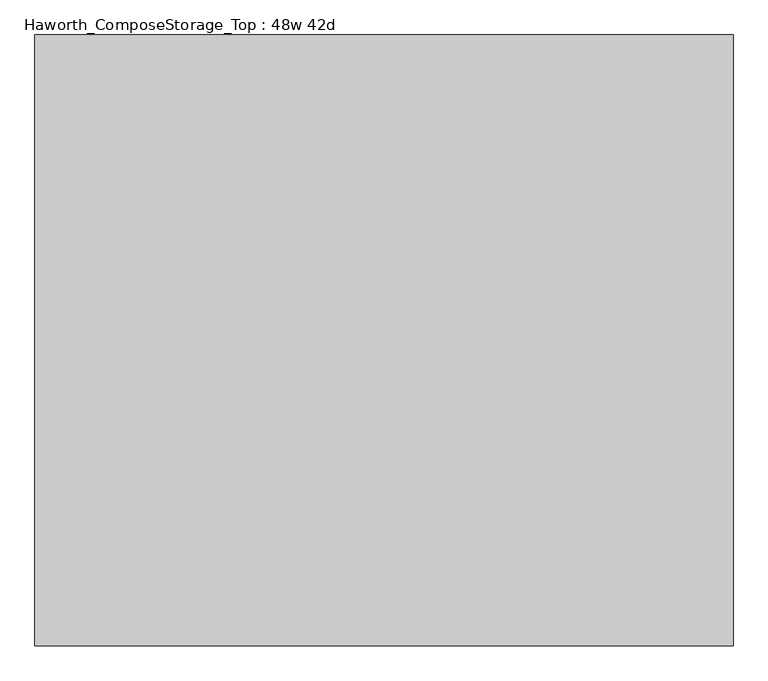
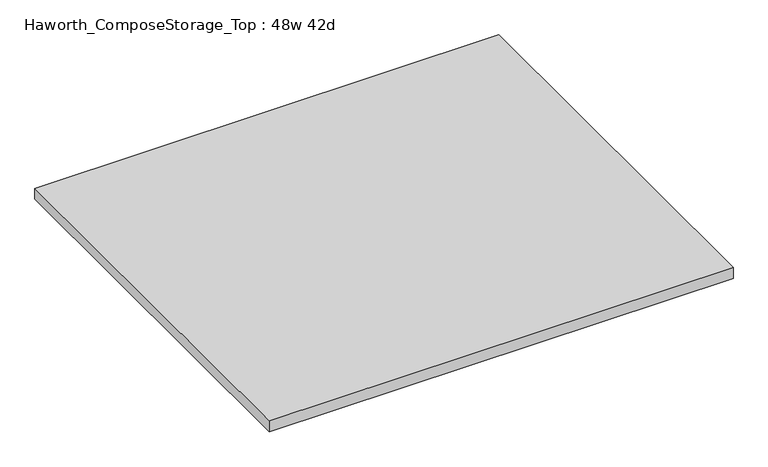
"""IFC4 building model written with IfcOpenShell, lengths in millimetres: furniture geometry, Haworth_ComposeStorage_Top : 48w 42d."""

from ifc_helpers import new_model, si_unit, frame, origin, place, context, project, spatial, polyline, outline, extrude, source, transform, mapped, element, save


def haworth_composestorage_top_48w_42d_96691736(model_context):
    return source(origin(), model_context, "Body", "SweptSolid", [
        extrude(outline(polyline([(609.6, 533.4), (609.6, -533.4), (-609.6, -533.4), (-609.6, 533.4), (609.6, 533.4)])), frame((0.0, 0.0, 706.4375), z_axis=(0.0, 0.0, 1.0), x_axis=(1.0, 0.0, 0.0)), (0.0, 0.0, 1.0), 30.1625),
    ])


if __name__ == "__main__":
    model = new_model("IFC4")
    model_context = context("Model", 3, world=origin())
    ifc_project = project(units=[si_unit("LENGTHUNIT", "METRE", prefix="MILLI")], contexts=[model_context])
    site = spatial("IfcSite", under=ifc_project)
    building = spatial("IfcBuilding", under=site)
    placement = place(None, origin())
    haworth_composestorage_top_48w_42d_shape = haworth_composestorage_top_48w_42d_96691736(model_context)
    element("IfcFurniture", 1, ObjectType="Haworth_ComposeStorage_Top : 48w 42d", at=placement, inside=building, context=model_context, shape_type="MappedRepresentation", body=[
        mapped(haworth_composestorage_top_48w_42d_shape, transform((0.0, 0.0, 0.0), x_axis=(1.0, 0.0, 0.0), y_axis=(0.0, 1.0, 0.0), z_axis=(0.0, 0.0, 1.0))),
    ])
    save(model, "model.ifc")
